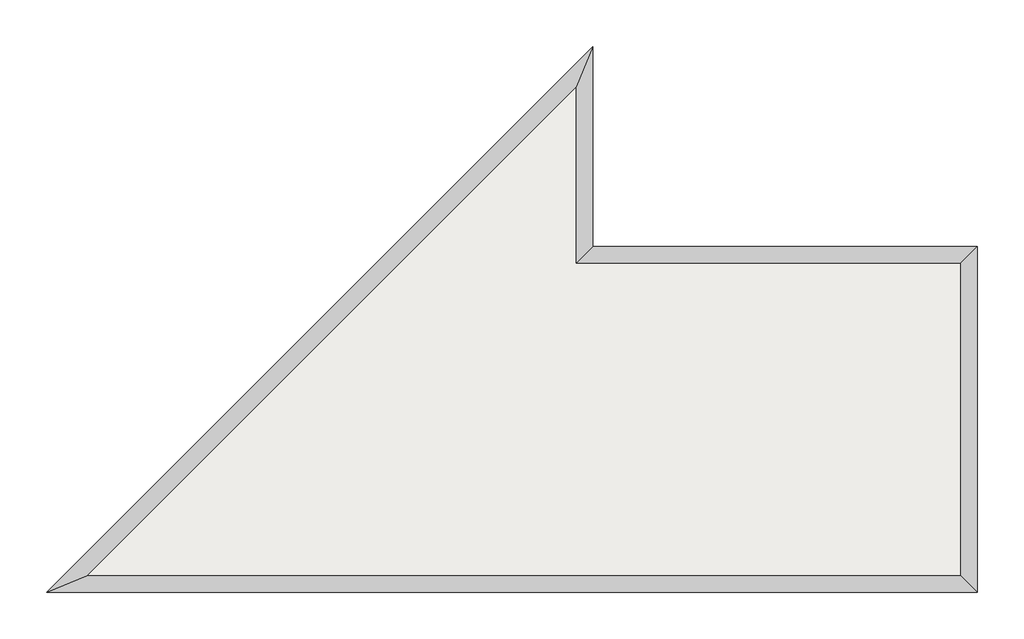
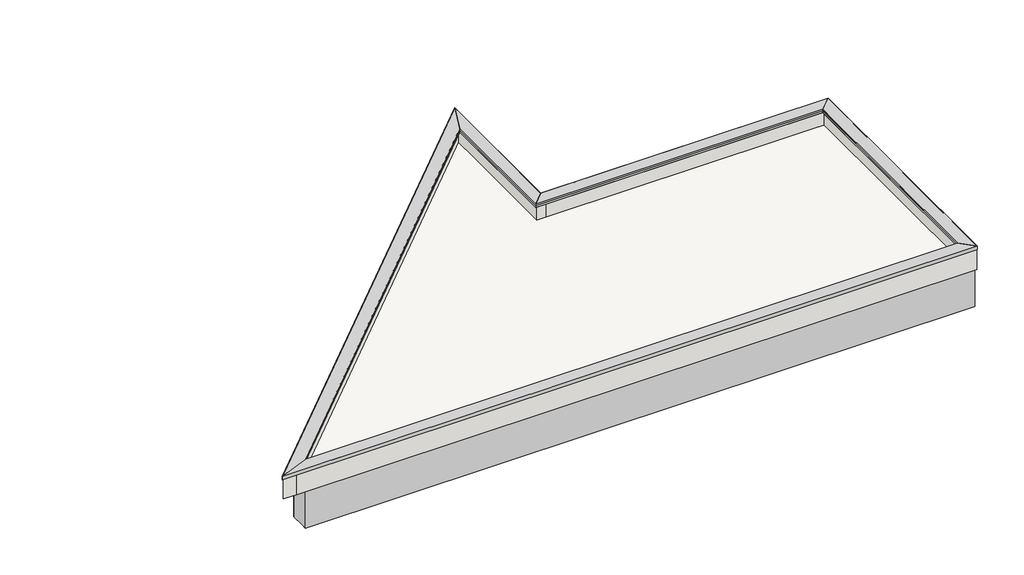
# One storey: 10 proxies, 5 beams, 5 walls, 1 roof, 1 slab.
"""IFC4 building model written with IfcOpenShell, lengths in millimetres."""

import ifcopenshell
import ifcopenshell.guid

model = None  # the IFC model being written
_history = None  # IfcOwnerHistory: only IFC2X3 demands one
_inside = {}  # id of a spatial element -> (the spatial element, [elements in it])
_under = {}  # id of a project, library or spatial element -> (it, [spatial elements below it])
_declared = {}  # id of a project -> (the project, [libraries it declares])
_typed = {}  # id of a type object -> (the type object, [elements of that type])
_made_of = {}  # id of a material, layer set ... -> (it, [elements and type objects made of it])


def new_model(schema):
    """Start an empty IFC model of exactly this schema.

    Asked for "IFC4X3", IfcOpenShell would pick the latest addendum, in which some entities
    have other attributes; the version numbers below select the first issue.
    IFC2X3 requires an IfcOwnerHistory on every rooted entity: one is made here for all.
    """
    global model, _history
    if schema == "IFC4X3":
        model = ifcopenshell.file(schema_version=(4, 3, 0, 0))
    else:
        model = ifcopenshell.file(schema=schema)
    _inside.clear()
    _under.clear()
    _declared.clear()
    _typed.clear()
    _made_of.clear()
    _history = None
    if model.schema == "IFC2X3":
        org = make("IfcOrganization", Name="unknown")
        user = make(
            "IfcPersonAndOrganization",
            ThePerson=make("IfcPerson", FamilyName="unknown"),
            TheOrganization=org,
        )
        app = make(
            "IfcApplication",
            ApplicationDeveloper=org,
            Version="unknown",
            ApplicationFullName="unknown",
            ApplicationIdentifier="unknown",
        )
        _history = make(
            "IfcOwnerHistory",
            OwningUser=user,
            OwningApplication=app,
            ChangeAction="ADDED",
            CreationDate=0,
        )
    return model


def make(cls, **values):
    """One entity of the class cls with the attributes given. An attribute that is None is left unset."""
    return model.create_entity(
        cls, **{name: value for name, value in values.items() if value is not None}
    )


def rooted(cls, **values):
    """An entity with a GlobalId (a new one), such as an element, a storey or a relation."""
    return make(cls, GlobalId=ifcopenshell.guid.new(), OwnerHistory=_history, **values)


def si_unit(unit_type, name, prefix=None):
    """IfcSIUnit, for example si_unit("LENGTHUNIT", "METRE", prefix="MILLI")."""
    return make("IfcSIUnit", UnitType=unit_type, Prefix=prefix, Name=name)


def assignment(units):
    """IfcUnitAssignment: the units of a project."""
    return None if units is None else make("IfcUnitAssignment", Units=units)


def point(xyz):
    """IfcCartesianPoint."""
    return None if xyz is None else make("IfcCartesianPoint", Coordinates=xyz)


def direction(xyz):
    """IfcDirection."""
    return None if xyz is None else make("IfcDirection", DirectionRatios=xyz)


def frame(location, z_axis=None, x_axis=None):
    """IfcAxis2Placement3D, a coordinate frame: its origin and axes. An axis left out is left unset."""
    return make(
        "IfcAxis2Placement3D",
        Location=point(location),
        Axis=direction(z_axis),
        RefDirection=direction(x_axis),
    )


def origin():
    """The frame at (0, 0, 0) with its axes left unset."""
    return frame((0.0, 0.0, 0.0))


def place(relative_to, where):
    """IfcLocalPlacement: puts the frame where relative to a parent placement (None: the world)."""
    return make(
        "IfcLocalPlacement", PlacementRelTo=relative_to, RelativePlacement=where
    )


def context(
    kind, dimensions, precision=None, world=None, true_north=None, identifier=None
):
    """IfcGeometricRepresentationContext, for example the 3D "Model" context."""
    return make(
        "IfcGeometricRepresentationContext",
        ContextIdentifier=identifier,
        ContextType=kind,
        CoordinateSpaceDimension=dimensions,
        Precision=precision,
        WorldCoordinateSystem=world,
        TrueNorth=true_north,
    )


def project(units=None, contexts=None):
    """IfcProject with its units and contexts."""
    return rooted(
        "IfcProject",
        Name="project",
        RepresentationContexts=contexts,
        UnitsInContext=assignment(units),
    )


def spatial(cls, under=None, at=None, **own):
    """A site, building, storey or space (cls), placed at a placement, below another one or the project."""
    s = rooted(cls, ObjectPlacement=at, **own)
    if under is not None:
        _under.setdefault(under.id(), (under, []))[1].append(s)
    return s


def polyline(points):
    """IfcPolyline through the points."""
    return make("IfcPolyline", Points=[point(p) for p in points])


def outline(outer, holes=None, kind="AREA"):
    """IfcArbitraryClosedProfileDef: a profile drawn as a closed curve; with holes, ...WithVoids."""
    if holes is None:
        return make("IfcArbitraryClosedProfileDef", ProfileType=kind, OuterCurve=outer)
    return make(
        "IfcArbitraryProfileDefWithVoids",
        ProfileType=kind,
        OuterCurve=outer,
        InnerCurves=holes,
    )


def extrude(swept, where, along, depth):
    """IfcExtrudedAreaSolid: the profile swept, set in the frame where, extruded along a direction by depth."""
    return make(
        "IfcExtrudedAreaSolid",
        SweptArea=swept,
        Position=where,
        ExtrudedDirection=direction(along),
        Depth=depth,
    )


def faces_of(points, faces, orient=None, outer=None):
    """IfcFace entities. A face is a list of loops; a loop is a list of indices into points, from 0.

    orient and outer hold one flag for each loop. By default every Orientation is true, the
    first loop of a face is its IfcFaceOuterBound and the others are IfcFaceBound.
    """
    made = []
    for i, loops in enumerate(faces):
        bounds = []
        for j, loop in enumerate(loops):
            is_outer = j == 0 if outer is None else outer[i][j]
            bounds.append(
                make(
                    "IfcFaceOuterBound" if is_outer else "IfcFaceBound",
                    Bound=make("IfcPolyLoop", Polygon=[points[k] for k in loop]),
                    Orientation=True if orient is None else orient[i][j],
                )
            )
        made.append(make("IfcFace", Bounds=bounds))
    return made


def faceted_brep(points, faces, orient=None, outer=None, voids=None):
    """IfcFacetedBrep: a solid bounded by flat faces; with voids (closed shells), ...WithVoids."""
    shared = [point(p) for p in points]
    hull = make("IfcClosedShell", CfsFaces=faces_of(shared, faces, orient, outer))
    if voids is None:
        return make("IfcFacetedBrep", Outer=hull)
    return make(
        "IfcFacetedBrepWithVoids",
        Outer=hull,
        Voids=[
            make(cls, CfsFaces=faces_of(shared, fs, o, b)) for cls, fs, o, b in voids
        ],
    )


def shape(context_of_items, identifier, shape_type, items):
    """IfcShapeRepresentation: the items that make up one representation, for example the "Body"."""
    return make(
        "IfcShapeRepresentation",
        ContextOfItems=context_of_items,
        RepresentationIdentifier=identifier,
        RepresentationType=shape_type,
        Items=items,
    )


def made_of(thing, what):
    """Note that an element or type object is made of a material, layer set ...; save() writes the relation."""
    if what is not None:
        _made_of.setdefault(what.id(), (what, []))[1].append(thing)
    return thing


def element(
    cls,
    number,
    at=None,
    inside=None,
    cuts=None,
    type_object=None,
    material=None,
    context=None,
    identifier="Body",
    shape_type=None,
    held_by="IfcProductDefinitionShape",
    body=None,
    shapes=None,
    **own,
):
    """One element of the class cls, such as IfcWall. Its Tag is "e" and its number.

    at: its placement. inside: the storey or other place that contains it. cuts: it is an
    opening in that element (IfcRelVoidsElement). A single representation is given by context,
    identifier, shape_type and body (its items); several are given by shapes. held_by: the class
    of the entity that holds the representations. save() writes the other relations.
    """
    e = rooted(cls, Tag="e%d" % number, ObjectPlacement=at, **own)
    if body is not None:
        shapes = [shape(context, identifier, shape_type, body)]
    if shapes is not None:
        e.Representation = make(held_by, Representations=shapes)
    if inside is not None:
        _inside.setdefault(inside.id(), (inside, []))[1].append(e)
    if cuts is not None:
        rooted(
            "IfcRelVoidsElement", RelatingBuildingElement=cuts, RelatedOpeningElement=e
        )
    if type_object is not None:
        _typed.setdefault(type_object.id(), (type_object, []))[1].append(e)
    return made_of(e, material)


def aggregate(whole, parts):
    """IfcRelAggregates: a whole, such as a stair, and the parts it consists of."""
    return rooted("IfcRelAggregates", RelatingObject=whole, RelatedObjects=parts)


def save(model, path):
    """Write the relations noted so far, then the file.

    IfcRelAggregates (storeys below a building ...), IfcRelContainedInSpatialStructure (elements
    in a storey), IfcRelDefinesByType, IfcRelAssociatesMaterial and IfcRelDeclares: one each for
    every whole, place, type object, material and project.
    """
    for whole, parts in _under.values():
        aggregate(whole, parts)
    for where, things in _inside.values():
        rooted(
            "IfcRelContainedInSpatialStructure",
            RelatedElements=things,
            RelatingStructure=where,
        )
    for kind, things in _typed.values():
        rooted("IfcRelDefinesByType", RelatedObjects=things, RelatingType=kind)
    for what, things in _made_of.values():
        rooted("IfcRelAssociatesMaterial", RelatedObjects=things, RelatingMaterial=what)
    for by, libraries in _declared.values():
        rooted("IfcRelDeclares", RelatingContext=by, RelatedDefinitions=libraries)
    model.write(path)


model = new_model("IFC4")

# Units and contexts
model_context = context("Model", 3, world=origin())
ifc_project = project(units=[si_unit("LENGTHUNIT", "METRE", prefix="MILLI")], contexts=[model_context])

# Site, building, storey
site = spatial("IfcSite", under=ifc_project)
building = spatial("IfcBuilding", under=site)
storey = spatial("IfcBuildingStorey", under=building, Elevation=6300.0)

# Beams
placement = place(None, origin())
element("IfcBeam", 1, ObjectType="800x400", at=placement, inside=storey, context=model_context, shape_type="Brep", body=[
    faceted_brep([(9314.7402038, -7886.6353377, 5500.0), (9314.7402038, -8091.6353377, 5500.0), (9314.7402038, -8286.6353377, 5500.0), (8914.7402038, -8286.6353377, 5500.0), (3439.7402038, -8286.6353377, 5500.0), (3439.7402038, -7886.6353377, 5500.0), (3539.7402038, -7886.6353377, 5500.0), (9314.7402038, -8286.6353377, 6300.0), (8914.7402038, -8286.6353377, 6300.0), (3439.7402038, -8286.6353377, 6300.0), (3439.7402038, -8286.6353377, 6100.0), (9314.7402038, -8091.6353377, 6300.0), (9314.7402038, -7886.6353377, 6300.0), (3539.7402038, -7886.6353377, 6300.0), (3439.7402038, -7886.6353377, 6300.0)], [[[0, 1, 2, 3, 4, 5, 6]], [[2, 7, 8, 9, 10, 4, 3]], [[7, 11, 12, 13, 14, 9, 8]], [[12, 0, 6, 5, 14, 13]], [[2, 1, 0, 12, 11, 7]], [[5, 4, 10, 9, 14]]]),
])
element("IfcBeam", 2, ObjectType="800x400", at=placement, inside=storey, context=model_context, shape_type="Brep", body=[
    faceted_brep([(-4199.9044571, -13036.6353377, 5500.0), (-4199.9044571, -12926.5491179, 5500.0), (-4199.9044571, -12636.6353377, 5500.0), (3039.7402038, -12636.6353377, 5500.0), (3439.7402038, -12636.6353377, 5500.0), (8914.7402038, -12636.6353377, 5500.0), (9314.7402038, -12636.6353377, 5500.0), (9314.7402038, -12831.6353377, 5500.0), (9314.7402038, -13036.6353377, 5500.0), (-4199.9044571, -13036.6353377, 6300.0), (9314.7402038, -13036.6353377, 6300.0), (-4199.9044571, -12636.6353377, 6300.0), (-4199.9044571, -12926.5491179, 6300.0), (9314.7402038, -12831.6353377, 6300.0), (9314.7402038, -12636.6353377, 6300.0), (8914.7402038, -12636.6353377, 6300.0), (3439.7402038, -12636.6353377, 6300.0), (3039.7402038, -12636.6353377, 6300.0), (-3634.2190322, -12636.6353377, 6300.0)], [[[0, 1, 2, 3, 4, 5, 6, 7, 8]], [[9, 0, 8, 10]], [[11, 12, 9, 10, 13, 14, 15, 16, 17, 18]], [[2, 11, 18, 17, 16, 15, 14, 6, 5, 4, 3]], [[8, 7, 6, 14, 13, 10]], [[2, 1, 0, 9, 12, 11]]]),
])
element("IfcBeam", 3, ObjectType="800x400", at=placement, inside=storey, context=model_context, shape_type="Brep", body=[
    faceted_brep([(8914.7402038, -8286.6353377, 5500.0), (9314.7402038, -8286.6353377, 5500.0), (9314.7402038, -12636.6353377, 5500.0), (8914.7402038, -12636.6353377, 5500.0), (8914.7402038, -8286.6353377, 6300.0), (8914.7402038, -8286.6353377, 6100.0), (8914.7402038, -12636.6353377, 6100.0), (8914.7402038, -12636.6353377, 6300.0), (9314.7402038, -8286.6353377, 6300.0), (9314.7402038, -12636.6353377, 6300.0)], [[[0, 1, 2, 3]], [[4, 5, 0, 3, 6, 7]], [[8, 4, 7, 9]], [[1, 8, 9, 2]], [[1, 0, 5, 4, 8]], [[3, 2, 9, 7, 6]]]),
])
element("IfcBeam", 4, ObjectType="800x400", at=placement, inside=storey, context=model_context, shape_type="Brep", body=[
    faceted_brep([(3039.7402038, -5396.9906767, 5500.0), (3439.7402038, -5396.9906767, 5500.0), (3439.7402038, -7886.6353377, 5500.0), (3439.7402038, -8286.6353377, 5500.0), (3439.7402038, -12636.6353377, 5500.0), (3039.7402038, -12636.6353377, 5500.0), (3439.7402038, -5396.9906767, 6300.0), (3439.7402038, -7886.6353377, 6300.0), (3439.7402038, -8286.6353377, 6300.0), (3439.7402038, -12636.6353377, 6300.0), (3439.7402038, -12636.6353377, 6100.0), (3039.7402038, -5396.9906767, 6300.0), (3039.7402038, -5962.6761017, 6300.0), (3039.7402038, -12636.6353377, 6300.0), (3039.7402038, -12636.6353377, 6100.0)], [[[0, 1, 2, 3, 4, 5]], [[1, 6, 7, 8, 9, 10, 4, 3, 2]], [[6, 11, 12, 13, 9, 8, 7]], [[11, 0, 5, 14, 13, 12]], [[5, 4, 10, 9, 13, 14]], [[0, 11, 6, 1]]]),
])
element("IfcBeam", 5, ObjectType="800x400", at=placement, inside=storey, context=model_context, shape_type="Brep", body=[
    faceted_brep([(-3634.2190322, -12636.6353377, 5500.0), (-4199.9044571, -12636.6353377, 5500.0), (3039.7402038, -5396.9906767, 5500.0), (3039.7402038, -5962.6761017, 5500.0), (-4199.9044571, -12636.6353377, 6300.0), (3039.7402038, -5396.9906767, 6300.0), (-3634.2190322, -12636.6353377, 6300.0), (3039.7402038, -5962.6761017, 6300.0), (-3634.2190322, -12636.6353377, 6100.0), (3039.7402038, -5962.6761017, 6100.0)], [[[0, 1, 2, 3]], [[1, 4, 5, 2]], [[4, 6, 7, 5]], [[6, 8, 0, 3, 9, 7]], [[1, 0, 8, 6, 4]], [[3, 2, 5, 7, 9]]]),
])

# Proxies
element("IfcBuildingElementProxy", 6, Name="Wall Sweeps", at=placement, inside=storey, context=model_context, shape_type="Brep", body=[
    faceted_brep([(-4689.2303589, -13073.6353377, 6725.0), (-4671.1237572, -13066.1353377, 6725.0), (-4671.1237572, -13066.1353377, 6727.5), (-4683.194825, -13071.1353377, 6727.5), (-4683.194825, -13071.1353377, 6797.2717287), (-4666.2953301, -13064.1353377, 6796.6593081), (-4666.2953301, -13064.1353377, 6791.5), (-4091.7125022, -12826.1353377, 6777.683727), (-4091.7125022, -12826.1353377, 6727.5), (-4103.78357, -12831.1353377, 6727.5), (-4103.78357, -12831.1353377, 6725.0), (-4085.6769683, -12823.6353377, 6725.0), (-4085.6769683, -12823.6353377, 6780.0), (-4660.2597962, -13061.6353377, 6793.816273), (-4660.2597962, -13061.6353377, 6798.950136), (-4689.2303589, -13073.6353377, 6800.0), (3551.7402038, -4832.6647749, 6725.0), (3551.7402038, -4832.6647749, 6800.0), (3539.7402038, -4861.6353377, 6798.950136), (3539.7402038, -4861.6353377, 6793.816273), (3301.7402038, -5436.2181655, 6780.0), (3301.7402038, -5436.2181655, 6725.0), (3309.2402038, -5418.1115638, 6725.0), (3309.2402038, -5418.1115638, 6727.5), (3304.2402038, -5430.1826316, 6727.5), (3304.2402038, -5430.1826316, 6777.683727), (3542.2402038, -4855.5998037, 6791.5), (3542.2402038, -4855.5998037, 6796.6593081), (3549.2402038, -4838.7003088, 6797.2717287), (3549.2402038, -4838.7003088, 6727.5), (3544.2402038, -4850.7713766, 6727.5), (3544.2402038, -4850.7713766, 6725.0)], [[[0, 1, 2, 3, 4, 5, 6, 7, 8, 9, 10, 11, 12, 13, 14, 15]], [[16, 17, 18, 19, 20, 21, 22, 23, 24, 25, 26, 27, 28, 29, 30, 31]], [[15, 14, 18, 17]], [[14, 13, 19, 18]], [[0, 15, 17, 16]], [[1, 0, 16, 31]], [[2, 1, 31, 30]], [[3, 2, 30, 29]], [[4, 3, 29, 28]], [[5, 4, 28, 27]], [[6, 5, 27, 26]], [[7, 6, 26, 25]], [[8, 7, 25, 24]], [[9, 8, 24, 23]], [[10, 9, 23, 22]], [[11, 10, 22, 21]], [[12, 11, 21, 20]], [[13, 12, 20, 19]]]),
])
element("IfcBuildingElementProxy", 7, Name="Wall Sweeps", at=placement, inside=storey, context=model_context, shape_type="Brep", body=[
    faceted_brep([(3551.7402038, -4832.6647749, 6725.0), (3544.2402038, -4850.7713766, 6725.0), (3544.2402038, -4850.7713766, 6727.5), (3549.2402038, -4838.7003088, 6727.5), (3549.2402038, -4838.7003088, 6797.2717287), (3542.2402038, -4855.5998037, 6796.6593081), (3542.2402038, -4855.5998037, 6791.5), (3304.2402038, -5430.1826316, 6777.683727), (3304.2402038, -5430.1826316, 6727.5), (3309.2402038, -5418.1115638, 6727.5), (3309.2402038, -5418.1115638, 6725.0), (3301.7402038, -5436.2181655, 6725.0), (3301.7402038, -5436.2181655, 6780.0), (3539.7402038, -4861.6353377, 6793.816273), (3539.7402038, -4861.6353377, 6798.950136), (3551.7402038, -4832.6647749, 6800.0), (3551.7402038, -7849.6353377, 6725.0), (3551.7402038, -7849.6353377, 6800.0), (3539.7402038, -7861.6353377, 6798.950136), (3539.7402038, -7861.6353377, 6793.816273), (3301.7402038, -8099.6353377, 6780.0), (3301.7402038, -8099.6353377, 6725.0), (3309.2402038, -8092.1353377, 6725.0), (3309.2402038, -8092.1353377, 6727.5), (3304.2402038, -8097.1353377, 6727.5), (3304.2402038, -8097.1353377, 6777.683727), (3542.2402038, -7859.1353377, 6791.5), (3542.2402038, -7859.1353377, 6796.6593081), (3549.2402038, -7852.1353377, 6797.2717287), (3549.2402038, -7852.1353377, 6727.5), (3544.2402038, -7857.1353377, 6727.5), (3544.2402038, -7857.1353377, 6725.0)], [[[0, 1, 2, 3, 4, 5, 6, 7, 8, 9, 10, 11, 12, 13, 14, 15]], [[16, 17, 18, 19, 20, 21, 22, 23, 24, 25, 26, 27, 28, 29, 30, 31]], [[15, 14, 18, 17]], [[14, 13, 19, 18]], [[0, 15, 17, 16]], [[1, 0, 16, 31]], [[2, 1, 31, 30]], [[3, 2, 30, 29]], [[4, 3, 29, 28]], [[5, 4, 28, 27]], [[6, 5, 27, 26]], [[7, 6, 26, 25]], [[8, 7, 25, 24]], [[9, 8, 24, 23]], [[10, 9, 23, 22]], [[11, 10, 22, 21]], [[12, 11, 21, 20]], [[13, 12, 20, 19]]]),
])
element("IfcBuildingElementProxy", 8, Name="Wall Sweeps", at=placement, inside=storey, context=model_context, shape_type="Brep", body=[
    faceted_brep([(3551.7402038, -7849.6353377, 6725.0), (3544.2402038, -7857.1353377, 6725.0), (3544.2402038, -7857.1353377, 6727.5), (3549.2402038, -7852.1353377, 6727.5), (3549.2402038, -7852.1353377, 6797.2717287), (3542.2402038, -7859.1353377, 6796.6593081), (3542.2402038, -7859.1353377, 6791.5), (3304.2402038, -8097.1353377, 6777.683727), (3304.2402038, -8097.1353377, 6727.5), (3309.2402038, -8092.1353377, 6727.5), (3309.2402038, -8092.1353377, 6725.0), (3301.7402038, -8099.6353377, 6725.0), (3301.7402038, -8099.6353377, 6780.0), (3539.7402038, -7861.6353377, 6793.816273), (3539.7402038, -7861.6353377, 6798.950136), (3551.7402038, -7849.6353377, 6800.0), (9351.7402038, -7849.6353377, 6725.0), (9351.7402038, -7849.6353377, 6800.0), (9339.7402038, -7861.6353377, 6798.950136), (9339.7402038, -7861.6353377, 6793.816273), (9101.7402038, -8099.6353377, 6780.0), (9101.7402038, -8099.6353377, 6725.0), (9109.2402038, -8092.1353377, 6725.0), (9109.2402038, -8092.1353377, 6727.5), (9104.2402038, -8097.1353377, 6727.5), (9104.2402038, -8097.1353377, 6777.683727), (9342.2402038, -7859.1353377, 6791.5), (9342.2402038, -7859.1353377, 6796.6593081), (9349.2402038, -7852.1353377, 6797.2717287), (9349.2402038, -7852.1353377, 6727.5), (9344.2402038, -7857.1353377, 6727.5), (9344.2402038, -7857.1353377, 6725.0)], [[[0, 1, 2, 3, 4, 5, 6, 7, 8, 9, 10, 11, 12, 13, 14, 15]], [[16, 17, 18, 19, 20, 21, 22, 23, 24, 25, 26, 27, 28, 29, 30, 31]], [[15, 14, 18, 17]], [[14, 13, 19, 18]], [[0, 15, 17, 16]], [[1, 0, 16, 31]], [[2, 1, 31, 30]], [[3, 2, 30, 29]], [[4, 3, 29, 28]], [[5, 4, 28, 27]], [[6, 5, 27, 26]], [[7, 6, 26, 25]], [[8, 7, 25, 24]], [[9, 8, 24, 23]], [[10, 9, 23, 22]], [[11, 10, 22, 21]], [[12, 11, 21, 20]], [[13, 12, 20, 19]]]),
])
element("IfcBuildingElementProxy", 9, Name="Wall Sweeps", at=placement, inside=storey, context=model_context, shape_type="Brep", body=[
    faceted_brep([(9351.7402038, -7849.6353377, 6725.0), (9344.2402038, -7857.1353377, 6725.0), (9344.2402038, -7857.1353377, 6727.5), (9349.2402038, -7852.1353377, 6727.5), (9349.2402038, -7852.1353377, 6797.2717287), (9342.2402038, -7859.1353377, 6796.6593081), (9342.2402038, -7859.1353377, 6791.5), (9104.2402038, -8097.1353377, 6777.683727), (9104.2402038, -8097.1353377, 6727.5), (9109.2402038, -8092.1353377, 6727.5), (9109.2402038, -8092.1353377, 6725.0), (9101.7402038, -8099.6353377, 6725.0), (9101.7402038, -8099.6353377, 6780.0), (9339.7402038, -7861.6353377, 6793.816273), (9339.7402038, -7861.6353377, 6798.950136), (9351.7402038, -7849.6353377, 6800.0), (9351.7402038, -13073.6353377, 6725.0), (9351.7402038, -13073.6353377, 6800.0), (9339.7402038, -13061.6353377, 6798.950136), (9339.7402038, -13061.6353377, 6793.816273), (9101.7402038, -12823.6353377, 6780.0), (9101.7402038, -12823.6353377, 6725.0), (9109.2402038, -12831.1353377, 6725.0), (9109.2402038, -12831.1353377, 6727.5), (9104.2402038, -12826.1353377, 6727.5), (9104.2402038, -12826.1353377, 6777.683727), (9342.2402038, -13064.1353377, 6791.5), (9342.2402038, -13064.1353377, 6796.6593081), (9349.2402038, -13071.1353377, 6797.2717287), (9349.2402038, -13071.1353377, 6727.5), (9344.2402038, -13066.1353377, 6727.5), (9344.2402038, -13066.1353377, 6725.0)], [[[0, 1, 2, 3, 4, 5, 6, 7, 8, 9, 10, 11, 12, 13, 14, 15]], [[16, 17, 18, 19, 20, 21, 22, 23, 24, 25, 26, 27, 28, 29, 30, 31]], [[15, 14, 18, 17]], [[14, 13, 19, 18]], [[0, 15, 17, 16]], [[1, 0, 16, 31]], [[2, 1, 31, 30]], [[3, 2, 30, 29]], [[4, 3, 29, 28]], [[5, 4, 28, 27]], [[6, 5, 27, 26]], [[7, 6, 26, 25]], [[8, 7, 25, 24]], [[9, 8, 24, 23]], [[10, 9, 23, 22]], [[11, 10, 22, 21]], [[12, 11, 21, 20]], [[13, 12, 20, 19]]]),
])
element("IfcBuildingElementProxy", 10, Name="Wall Sweeps", at=placement, inside=storey, context=model_context, shape_type="Brep", body=[
    faceted_brep([(9351.7402038, -13073.6353377, 6725.0), (9344.2402038, -13066.1353377, 6725.0), (9344.2402038, -13066.1353377, 6727.5), (9349.2402038, -13071.1353377, 6727.5), (9349.2402038, -13071.1353377, 6797.2717287), (9342.2402038, -13064.1353377, 6796.6593081), (9342.2402038, -13064.1353377, 6791.5), (9104.2402038, -12826.1353377, 6777.683727), (9104.2402038, -12826.1353377, 6727.5), (9109.2402038, -12831.1353377, 6727.5), (9109.2402038, -12831.1353377, 6725.0), (9101.7402038, -12823.6353377, 6725.0), (9101.7402038, -12823.6353377, 6780.0), (9339.7402038, -13061.6353377, 6793.816273), (9339.7402038, -13061.6353377, 6798.950136), (9351.7402038, -13073.6353377, 6800.0), (-4689.2303589, -13073.6353377, 6725.0), (-4689.2303589, -13073.6353377, 6800.0), (-4660.2597962, -13061.6353377, 6798.950136), (-4660.2597962, -13061.6353377, 6793.816273), (-4085.6769683, -12823.6353377, 6780.0), (-4085.6769683, -12823.6353377, 6725.0), (-4103.78357, -12831.1353377, 6725.0), (-4103.78357, -12831.1353377, 6727.5), (-4091.7125022, -12826.1353377, 6727.5), (-4091.7125022, -12826.1353377, 6777.683727), (-4666.2953301, -13064.1353377, 6791.5), (-4666.2953301, -13064.1353377, 6796.6593081), (-4683.194825, -13071.1353377, 6797.2717287), (-4683.194825, -13071.1353377, 6727.5), (-4671.1237572, -13066.1353377, 6727.5), (-4671.1237572, -13066.1353377, 6725.0)], [[[0, 1, 2, 3, 4, 5, 6, 7, 8, 9, 10, 11, 12, 13, 14, 15]], [[16, 17, 18, 19, 20, 21, 22, 23, 24, 25, 26, 27, 28, 29, 30, 31]], [[15, 14, 18, 17]], [[14, 13, 19, 18]], [[0, 15, 17, 16]], [[1, 0, 16, 31]], [[2, 1, 31, 30]], [[3, 2, 30, 29]], [[4, 3, 29, 28]], [[5, 4, 28, 27]], [[6, 5, 27, 26]], [[7, 6, 26, 25]], [[8, 7, 25, 24]], [[9, 8, 24, 23]], [[10, 9, 23, 22]], [[11, 10, 22, 21]], [[12, 11, 21, 20]], [[13, 12, 20, 19]]]),
])
element("IfcBuildingElementProxy", 11, Name="Reveals", at=placement, inside=storey, context=model_context, shape_type="SweptSolid", body=[
    extrude(outline(polyline([(-4080.8485412, -12821.6353377), (-4684.4019318, -13071.6353377), (3549.7402038, -4837.493202), (3299.7402038, -5441.0465926), (-4080.8485412, -12821.6353377)])), frame((0.0, 0.0, 6770.0), z_axis=(0.0, 0.0, 1.0), x_axis=(1.0, 0.0, 0.0)), (0.0, 0.0, 1.0), 30.0),
])
element("IfcBuildingElementProxy", 12, Name="Reveals", at=placement, inside=storey, context=model_context, shape_type="SweptSolid", body=[
    extrude(outline(polyline([(3299.7402038, -5441.0465926), (3549.7402038, -4837.493202), (3549.7402038, -7851.6353377), (3299.7402038, -8101.6353377), (3299.7402038, -5441.0465926)])), frame((0.0, 0.0, 6770.0), z_axis=(0.0, 0.0, 1.0), x_axis=(1.0, 0.0, 0.0)), (0.0, 0.0, 1.0), 30.0),
])
element("IfcBuildingElementProxy", 13, Name="Reveals", at=placement, inside=storey, context=model_context, shape_type="SweptSolid", body=[
    extrude(outline(polyline([(3299.7402038, -8101.6353377), (3549.7402038, -7851.6353377), (9349.7402038, -7851.6353377), (9099.7402038, -8101.6353377), (3299.7402038, -8101.6353377)])), frame((0.0, 0.0, 6770.0), z_axis=(0.0, 0.0, 1.0), x_axis=(1.0, 0.0, 0.0)), (0.0, 0.0, 1.0), 30.0),
])
element("IfcBuildingElementProxy", 14, Name="Reveals", at=placement, inside=storey, context=model_context, shape_type="SweptSolid", body=[
    extrude(outline(polyline([(9099.7402038, -8101.6353377), (9349.7402038, -7851.6353377), (9349.7402038, -13071.6353377), (9099.7402038, -12821.6353377), (9099.7402038, -8101.6353377)])), frame((0.0, 0.0, 6770.0), z_axis=(0.0, 0.0, 1.0), x_axis=(1.0, 0.0, 0.0)), (0.0, 0.0, 1.0), 30.0),
])
element("IfcBuildingElementProxy", 15, Name="Reveals", at=placement, inside=storey, context=model_context, shape_type="SweptSolid", body=[
    extrude(outline(polyline([(9099.7402038, -12821.6353377), (9349.7402038, -13071.6353377), (-4684.4019318, -13071.6353377), (-4080.8485412, -12821.6353377), (9099.7402038, -12821.6353377)])), frame((0.0, 0.0, 6770.0), z_axis=(0.0, 0.0, 1.0), x_axis=(1.0, 0.0, 0.0)), (0.0, 0.0, 1.0), 30.0),
])

# Roof
element("IfcRoof", 16, at=placement, inside=storey, context=model_context, shape_type="SweptSolid", body=[
    extrude(outline(polyline([(8914.7402038, -8286.6353377), (8914.7402038, -12636.6353377), (3439.7402038, -12636.6353377), (3439.7402038, -8286.6353377), (8914.7402038, -8286.6353377)])), frame((0.0, 0.0, 6100.0), z_axis=(0.0, 0.0, 1.0), x_axis=(1.0, 0.0, 0.0)), (0.0, 0.0, 1.0), 200.0),
    extrude(outline(polyline([(3039.7402038, -5962.6761017), (3039.7402038, -12636.6353377), (-3634.2190322, -12636.6353377), (3039.7402038, -5962.6761017)])), frame((0.0, 0.0, 6100.0), z_axis=(0.0, 0.0, 1.0), x_axis=(1.0, 0.0, 0.0)), (0.0, 0.0, 1.0), 200.0),
])

# Slab
element("IfcSlab", 17, at=placement, inside=storey, context=model_context, shape_type="Brep", body=[
    faceted_brep([(3364.7402038, -8036.6353377, 6290.0), (9164.7402038, -8036.6353377, 6290.0), (9164.7402038, -12886.6353377, 6290.0), (-4237.7724228, -12886.6353377, 6290.0), (3364.7402038, -5284.1227111, 6290.0), (3364.7402038, -8036.6353377, 6410.0), (3364.7402038, -5298.2648467, 6410.0), (3364.7402038, -5284.1227111, 6410.0), (-4237.7724228, -12886.6353377, 6410.0), (-4223.6302871, -12886.6353377, 6410.0), (9164.7402038, -12886.6353377, 6410.0), (9164.7402038, -12876.6353377, 6410.0), (9164.7402038, -8046.6353377, 6410.0), (9164.7402038, -8036.6353377, 6410.0), (3539.7402038, -8036.6353377, 6410.0), (3364.7402038, -8036.6353377, 6300.0), (9164.7402038, -8036.6353377, 6300.0), (9164.7402038, -12886.6353377, 6300.0), (-4237.7724228, -12886.6353377, 6300.0), (3364.7402038, -5284.1227111, 6300.0)], [[[0, 1, 2, 3, 4]], [[5, 6, 7, 8, 9, 10, 11, 12, 13, 14]], [[1, 0, 15, 5, 14, 13, 16]], [[2, 1, 16, 13, 12, 11, 10, 17]], [[3, 2, 17, 10, 9, 8, 18]], [[4, 3, 18, 8, 7, 19]], [[0, 4, 19, 7, 6, 5, 15]]]),
])

# Walls
element("IfcWall", 18, at=placement, inside=storey, context=model_context, shape_type="Brep", body=[
    faceted_brep([(3539.7402038, -5123.2648467, 6300.0), (3539.7402038, -5123.2648467, 6770.0), (3354.7402038, -5308.2648467, 6770.0), (-4213.6302871, -12876.6353377, 6770.0), (-4398.6302871, -13061.6353377, 6770.0), (-4398.6302871, -13061.6353377, 6300.0), (-4223.6302871, -12886.6353377, 6300.0), (-4223.6302871, -12886.6353377, 6410.0), (-4213.6302871, -12876.6353377, 6410.0), (3354.7402038, -5308.2648467, 6410.0), (3364.7402038, -5298.2648467, 6410.0), (3364.7402038, -5298.2648467, 6300.0), (3539.7402038, -4861.6353377, 6300.0), (-4660.2597962, -13061.6353377, 6300.0), (-4660.2597962, -13061.6353377, 6770.0), (3539.7402038, -4861.6353377, 6770.0), (3364.7402038, -5284.1227111, 6300.0), (-4237.7724228, -12886.6353377, 6300.0), (-4237.7724228, -12886.6353377, 6410.0), (3364.7402038, -5284.1227111, 6410.0)], [[[0, 1, 2, 3, 4, 5, 6, 7, 8, 9, 10, 11]], [[12, 13, 14, 15]], [[0, 12, 15, 1]], [[13, 5, 4, 14]], [[13, 12, 0, 11, 16, 17, 6, 5]], [[4, 3, 2, 1, 15, 14]], [[18, 19, 10, 9, 8, 7]], [[17, 18, 7, 6]], [[19, 18, 17, 16]], [[19, 16, 11, 10]]]),
])
element("IfcWall", 19, at=placement, inside=storey, context=model_context, shape_type="Brep", body=[
    faceted_brep([(3354.7402038, -8046.6353377, 6770.0), (3354.7402038, -5308.2648467, 6770.0), (3354.7402038, -5308.2648467, 6410.0), (3354.7402038, -8046.6353377, 6410.0), (3539.7402038, -5123.2648467, 6300.0), (3539.7402038, -5123.2648467, 6770.0), (3539.7402038, -7861.6353377, 6770.0), (3539.7402038, -8046.6353377, 6770.0), (3539.7402038, -8046.6353377, 6410.0), (3539.7402038, -8036.6353377, 6410.0), (3539.7402038, -8036.6353377, 6300.0), (3539.7402038, -7861.6353377, 6300.0), (3364.7402038, -8036.6353377, 6300.0), (3364.7402038, -5298.2648467, 6300.0), (3364.7402038, -5298.2648467, 6410.0), (3364.7402038, -8036.6353377, 6410.0)], [[[0, 1, 2, 3]], [[4, 5, 6, 7, 8, 9, 10, 11]], [[4, 11, 10, 12, 13]], [[5, 4, 13, 14, 2, 1]], [[7, 0, 3, 8]], [[1, 0, 7, 6, 5]], [[15, 9, 8, 3, 2, 14]], [[15, 12, 10, 9]], [[12, 15, 14, 13]]]),
])
element("IfcWall", 20, at=placement, inside=storey, context=model_context, shape_type="Brep", body=[
    faceted_brep([(9339.7402038, -8046.6353377, 6300.0), (9339.7402038, -8046.6353377, 6770.0), (9154.7402038, -8046.6353377, 6770.0), (3539.7402038, -8046.6353377, 6770.0), (3539.7402038, -8046.6353377, 6410.0), (9154.7402038, -8046.6353377, 6410.0), (9164.7402038, -8046.6353377, 6410.0), (9164.7402038, -8046.6353377, 6300.0), (9339.7402038, -7861.6353377, 6300.0), (3539.7402038, -7861.6353377, 6300.0), (3539.7402038, -7861.6353377, 6770.0), (9339.7402038, -7861.6353377, 6770.0), (9164.7402038, -8036.6353377, 6300.0), (3539.7402038, -8036.6353377, 6300.0), (3539.7402038, -8036.6353377, 6410.0), (9164.7402038, -8036.6353377, 6410.0)], [[[0, 1, 2, 3, 4, 5, 6, 7]], [[8, 9, 10, 11]], [[9, 8, 0, 7, 12, 13]], [[0, 8, 11, 1]], [[10, 9, 13, 14, 4, 3]], [[3, 2, 1, 11, 10]], [[14, 15, 6, 5, 4]], [[12, 15, 14, 13]], [[15, 12, 7, 6]]]),
])
element("IfcWall", 21, at=placement, inside=storey, context=model_context, shape_type="SweptSolid", body=[
    extrude(outline(polyline([(6300.0, 9339.7402038), (6770.0, 9339.7402038), (6770.0, 9154.7402038), (6410.0, 9154.7402038), (6410.0, 9164.7402038), (6300.0, 9164.7402038), (6300.0, 9339.7402038)])), frame((0.0, -12876.6353377, 0.0), z_axis=(0.0, 1.0, 0.0), x_axis=(0.0, 0.0, 1.0)), (0.0, 0.0, 1.0), 4830.0),
])
element("IfcWall", 22, at=placement, inside=storey, context=model_context, shape_type="Brep", body=[
    faceted_brep([(9339.7402038, -12876.6353377, 6770.0), (9339.7402038, -12876.6353377, 6300.0), (9164.7402038, -12876.6353377, 6300.0), (9164.7402038, -12876.6353377, 6410.0), (9154.7402038, -12876.6353377, 6410.0), (-4213.6302871, -12876.6353377, 6410.0), (-4213.6302871, -12876.6353377, 6770.0), (9154.7402038, -12876.6353377, 6770.0), (-4398.6302871, -13061.6353377, 6300.0), (9339.7402038, -13061.6353377, 6300.0), (9339.7402038, -13061.6353377, 6770.0), (-4398.6302871, -13061.6353377, 6770.0), (-4223.6302871, -12886.6353377, 6300.0), (9164.7402038, -12886.6353377, 6300.0), (-4223.6302871, -12886.6353377, 6410.0), (9164.7402038, -12886.6353377, 6410.0)], [[[0, 1, 2, 3, 4, 5, 6, 7]], [[8, 9, 10, 11]], [[9, 8, 12, 13, 2, 1]], [[8, 11, 6, 5, 14, 12]], [[9, 1, 0, 10]], [[0, 7, 6, 11, 10]], [[3, 15, 14, 5, 4]], [[13, 15, 3, 2]], [[15, 13, 12, 14]]]),
])

save(model, "model.ifc")
